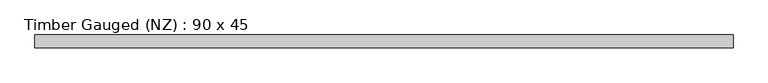
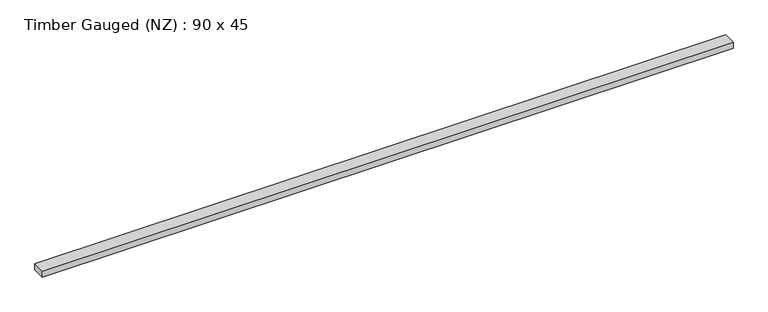
"""IFC4 building model written with IfcOpenShell, lengths in millimetres: beam geometry, Timber Gauged (NZ) : 90 x 45."""

from ifc_helpers import new_model, si_unit, frame, origin, place, context, project, spatial, polyline, outline, extrude, source, transform, mapped, element, save


def timber_gauged_nz_90_x_45_5e60f441(model_context):
    return source(origin(), model_context, "Body", "SweptSolid", [
        extrude(outline(polyline([(2422.5, 45.0), (2422.5, -45.0), (-2422.5, -45.0), (-2422.5, 45.0), (2422.5, 45.0)])), frame((0.0, 0.0, -22.5), z_axis=(0.0, 0.0, 1.0), x_axis=(1.0, 0.0, 0.0)), (0.0, 0.0, 1.0), 45.0),
    ])


if __name__ == "__main__":
    model = new_model("IFC4")
    model_context = context("Model", 3, world=origin())
    ifc_project = project(units=[si_unit("LENGTHUNIT", "METRE", prefix="MILLI")], contexts=[model_context])
    site = spatial("IfcSite", under=ifc_project)
    building = spatial("IfcBuilding", under=site)
    placement = place(None, origin())
    timber_gauged_nz_90_x_45_shape = timber_gauged_nz_90_x_45_5e60f441(model_context)
    element("IfcBeam", 1, ObjectType="Timber Gauged (NZ) : 90 x 45", at=placement, inside=building, context=model_context, shape_type="MappedRepresentation", body=[
        mapped(timber_gauged_nz_90_x_45_shape, transform((0.0, 0.0, 0.0), x_axis=(1.0, 0.0, 0.0), y_axis=(0.0, 1.0, 0.0), z_axis=(0.0, 0.0, 1.0))),
    ])
    save(model, "model.ifc")
